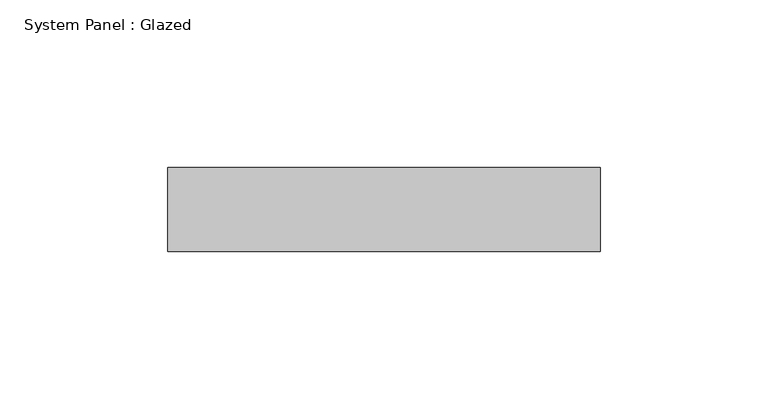
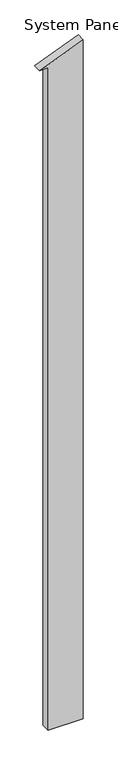
"""IFC4 building model written with IfcOpenShell, lengths in millimetres: plate geometry, System Panel : Glazed."""

from ifc_helpers import new_model, si_unit, frame, origin, place, context, project, spatial, polyline, outline, extrude, source, transform, mapped, element, save


def system_panel_glazed_2a37e83c(model_context):
    return source(origin(), model_context, "Body", "SweptSolid", [
        extrude(outline(polyline([(0.0, -39.5), (0.0, 64.5), (2123.3898304, 64.5), (2072.0084745, -64.5), (2072.0084745, -39.5), (0.0, -39.5)])), frame((0.0, 24.5, 0.0), z_axis=(0.0, 1.0, 0.0), x_axis=(0.0, 0.0, 1.0)), (0.0, 0.0, 1.0), 25.0),
    ])


if __name__ == "__main__":
    model = new_model("IFC4")
    model_context = context("Model", 3, world=origin())
    ifc_project = project(units=[si_unit("LENGTHUNIT", "METRE", prefix="MILLI")], contexts=[model_context])
    site = spatial("IfcSite", under=ifc_project)
    building = spatial("IfcBuilding", under=site)
    placement = place(None, origin())
    system_panel_glazed_shape = system_panel_glazed_2a37e83c(model_context)
    element("IfcPlate", 1, ObjectType="System Panel : Glazed", at=placement, inside=building, context=model_context, shape_type="MappedRepresentation", body=[
        mapped(system_panel_glazed_shape, transform((0.0, 0.0, 0.0), x_axis=(1.0, 0.0, 0.0), y_axis=(0.0, 1.0, 0.0), z_axis=(0.0, 0.0, 1.0))),
    ])
    save(model, "model.ifc")
